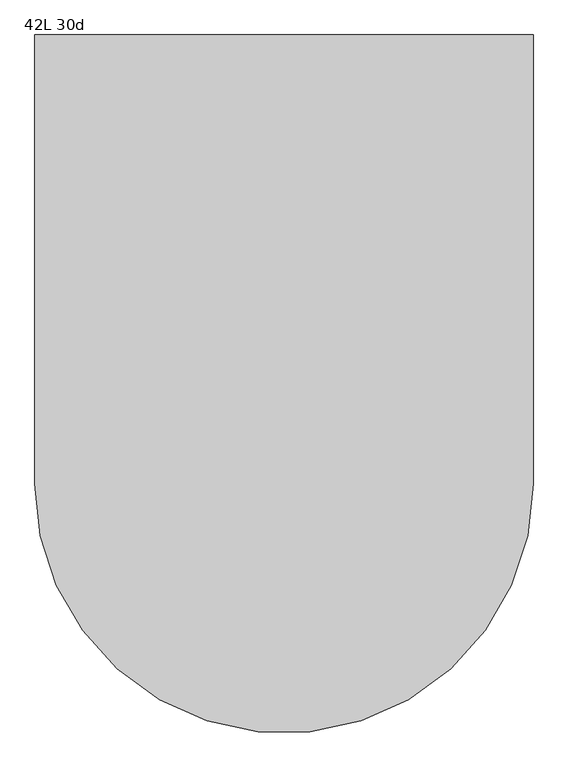
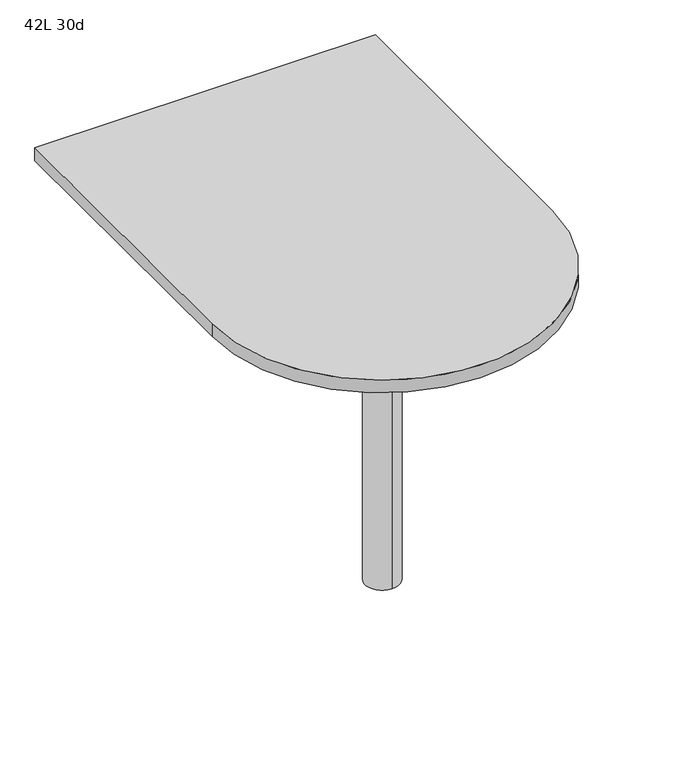
"""IFC4 building model written with IfcOpenShell, lengths in millimetres: furniture geometry, 42L 30d."""

from ifc_helpers import new_model, si_unit, point, frame, frame_2d, origin, place, context, project, spatial, polyline, circle_curve, trimmed, segment, composite_curve, outline, extrude, source, transform, mapped, element, save
from ifc_brep_helpers import plane_surface, cylinder_surface, advanced_brep


def furniture_42l_30d_ce8c33ed(model_context):
    return source(origin(), model_context, "Body", "SolidModel", [
        advanced_brep(
        [(0.0, -114.3, 706.4375), (0.0, -190.5, 706.4375), (0.0, -152.4, 706.4375), (0.0, -114.3, 0.0), (0.0, -190.5, 0.0), (0.0, -152.4, 0.0)],
        [
            (0, 1, circle_curve(frame((0.0, -152.4, 706.4375), z_axis=(0.0, 0.0, 1.0), x_axis=(0.0, -1.0, 0.0)), 38.1)),
            (1, 2),
            (2, 0),
            (1, 0, circle_curve(frame((0.0, -152.4, 706.4375), z_axis=(0.0, 0.0, 1.0), x_axis=(0.0, -1.0, 0.0)), 38.1)),
            (3, 4, circle_curve(frame((0.0, -152.4, 0.0), z_axis=(0.0, 0.0, 1.0), x_axis=(0.0, -1.0, 0.0)), 38.1)),
            (4, 1),
            (0, 3),
            (4, 3, circle_curve(frame((0.0, -152.4, 0.0), z_axis=(0.0, 0.0, 1.0), x_axis=(0.0, -1.0, 0.0)), 38.1)),
            (5, 4),
            (3, 5),
        ],
        [
            plane_surface(frame((0.0, -152.4, 706.4375), z_axis=(0.0, 0.0, 1.0), x_axis=(0.0, -1.0, 0.0))),
            cylinder_surface(frame((0.0, -152.4, 889.623257), z_axis=(0.0, 0.0, -1.0), x_axis=(0.0, -1.0, 0.0)), 38.1),
            plane_surface(frame((0.0, -152.4, 0.0), z_axis=(0.0, 0.0, -1.0), x_axis=(0.0, -1.0, 0.0))),
        ],
        [
            (0, [[1, 2, 3]]),
            (0, [[4, -3, -2]]),
            (1, [[5, 6, -1, 7]]),
            (1, [[8, -7, -4, -6]]),
            (2, [[9, -5, 10]]),
            (2, [[-10, -8, -9]]),
        ],
    ),
        extrude(outline(composite_curve([segment(polyline([(-381.0, -152.4), (-381.0, 533.4), (381.0, 533.4), (381.0, -152.4)]), True, "CONTINUOUS"), segment(trimmed(circle_curve(frame_2d((0.0, -152.4)), 381.0), [point((381.0, -152.4))], [point((-381.0, -152.4))], False, "CARTESIAN"), True, "CONTINUOUS")], self_intersect=False)), frame((0.0, 0.0, 706.4375), z_axis=(0.0, 0.0, 1.0), x_axis=(1.0, 0.0, 0.0)), (0.0, 0.0, 1.0), 30.1625),
    ])


if __name__ == "__main__":
    model = new_model("IFC4")
    model_context = context("Model", 3, world=origin())
    ifc_project = project(units=[si_unit("LENGTHUNIT", "METRE", prefix="MILLI")], contexts=[model_context])
    site = spatial("IfcSite", under=ifc_project)
    building = spatial("IfcBuilding", under=site)
    placement = place(None, origin())
    furniture_42l_30d_shape = furniture_42l_30d_ce8c33ed(model_context)
    element("IfcFurniture", 1, ObjectType="42L 30d", at=placement, inside=building, context=model_context, shape_type="MappedRepresentation", body=[
        mapped(furniture_42l_30d_shape, transform((0.0, 0.0, 0.0), x_axis=(1.0, 0.0, 0.0), y_axis=(0.0, 1.0, 0.0), z_axis=(0.0, 0.0, 1.0))),
    ])
    save(model, "model.ifc")
